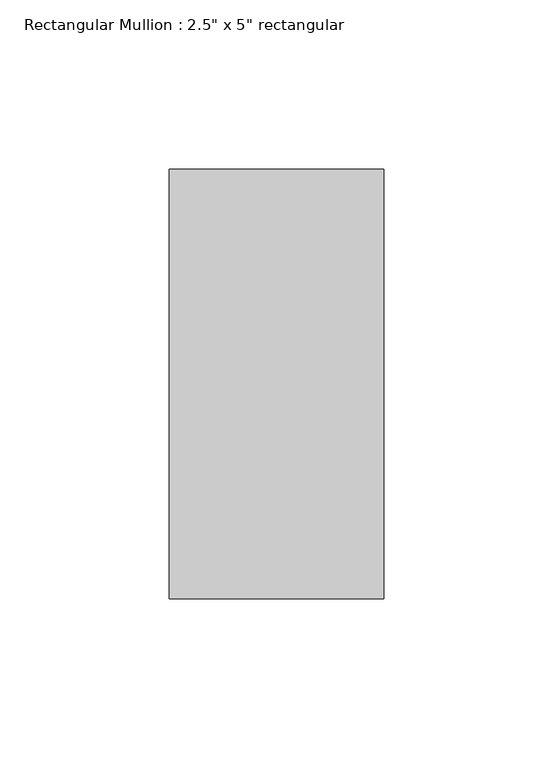
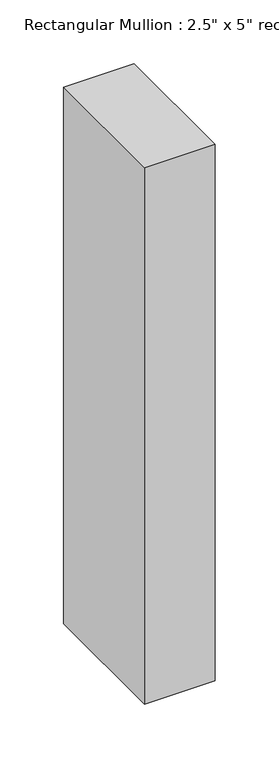
"""IFC4 building model written with IfcOpenShell, lengths in millimetres: member geometry."""

from ifc_helpers import new_model, si_unit, frame, origin, place, context, project, spatial, polyline, outline, extrude, source, transform, mapped, element, save


def member_fc4714f6(model_context):
    return source(origin(), model_context, "Body", "SweptSolid", [
        extrude(outline(polyline([(31.75, 63.5), (31.75, -63.5), (-31.75, -63.5), (-31.75, 63.5), (31.75, 63.5)])), frame((0.0, 0.0, -512.7624997), z_axis=(0.0, 0.0, 1.0), x_axis=(1.0, 0.0, 0.0)), (0.0, 0.0, 1.0), 512.7624997),
    ])


if __name__ == "__main__":
    model = new_model("IFC4")
    model_context = context("Model", 3, world=origin())
    ifc_project = project(units=[si_unit("LENGTHUNIT", "METRE", prefix="MILLI")], contexts=[model_context])
    site = spatial("IfcSite", under=ifc_project)
    building = spatial("IfcBuilding", under=site)
    placement = place(None, origin())
    member_shape = member_fc4714f6(model_context)
    element("IfcMember", 1, ObjectType="Rectangular Mullion : 2.5\" x 5\" rectangular", at=placement, inside=building, context=model_context, shape_type="MappedRepresentation", body=[
        mapped(member_shape, transform((0.0, 0.0, 0.0), x_axis=(1.0, 0.0, 0.0), y_axis=(0.0, 1.0, 0.0), z_axis=(0.0, 0.0, 1.0))),
    ])
    save(model, "model.ifc")
